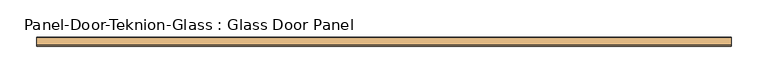
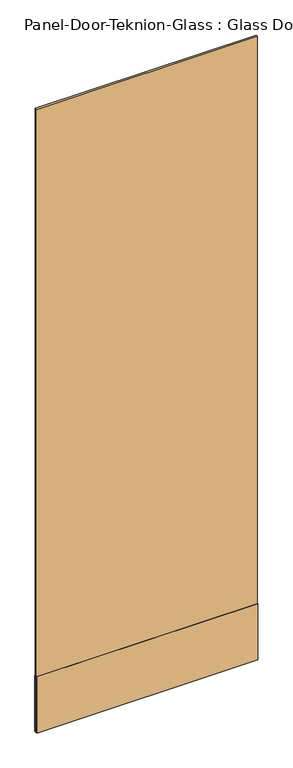
"""IFC4 building model written with IfcOpenShell, lengths in millimetres: door geometry, Panel-Door-Teknion-Glass : Glass Door Panel."""

from ifc_helpers import new_model, si_unit, frame, origin, place, context, project, spatial, polyline, outline, extrude, source, transform, mapped, element, save


def panel_door_teknion_glass_glass_door_panel_a58ef974(model_context):
    return source(origin(), model_context, "Body", "SweptSolid", [
        extrude(outline(polyline([(473.0678563, 4.5085), (473.0678563, -4.5085), (-473.0678562, -4.5085), (-473.0678562, 4.5085), (473.0678563, 4.5085)])), frame((0.0, 0.0, 12.7), z_axis=(0.0, 0.0, 1.0), x_axis=(1.0, 0.0, 0.0)), (0.0, 0.0, 1.0), 2820.0275997),
        extrude(outline(polyline([(473.0678563, 6.1087), (473.0678563, 4.5085), (-473.0678562, 4.5085), (-473.0678562, 6.1087), (473.0678563, 6.1087)])), frame((0.0, 0.0, 12.7), z_axis=(0.0, 0.0, 1.0), x_axis=(1.0, 0.0, 0.0)), (0.0, 0.0, 1.0), 254.0),
        extrude(outline(polyline([(473.0678563, -4.5085), (473.0678563, -6.1087), (-473.0678562, -6.1087), (-473.0678562, -4.5085), (473.0678563, -4.5085)])), frame((0.0, 0.0, 12.7), z_axis=(0.0, 0.0, 1.0), x_axis=(1.0, 0.0, 0.0)), (0.0, 0.0, 1.0), 254.0),
    ])


if __name__ == "__main__":
    model = new_model("IFC4")
    model_context = context("Model", 3, world=origin())
    ifc_project = project(units=[si_unit("LENGTHUNIT", "METRE", prefix="MILLI")], contexts=[model_context])
    site = spatial("IfcSite", under=ifc_project)
    building = spatial("IfcBuilding", under=site)
    placement = place(None, origin())
    panel_door_teknion_glass_glass_door_panel_shape = panel_door_teknion_glass_glass_door_panel_a58ef974(model_context)
    element("IfcDoor", 1, ObjectType="Panel-Door-Teknion-Glass : Glass Door Panel", at=placement, inside=building, context=model_context, shape_type="MappedRepresentation", body=[
        mapped(panel_door_teknion_glass_glass_door_panel_shape, transform((0.0, 0.0, 0.0), x_axis=(1.0, 0.0, 0.0), y_axis=(0.0, 1.0, 0.0), z_axis=(0.0, 0.0, 1.0))),
    ])
    save(model, "model.ifc")
